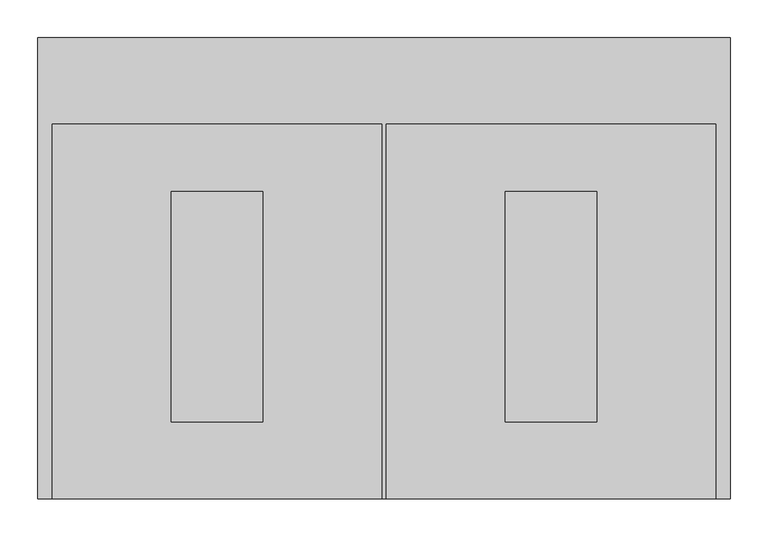
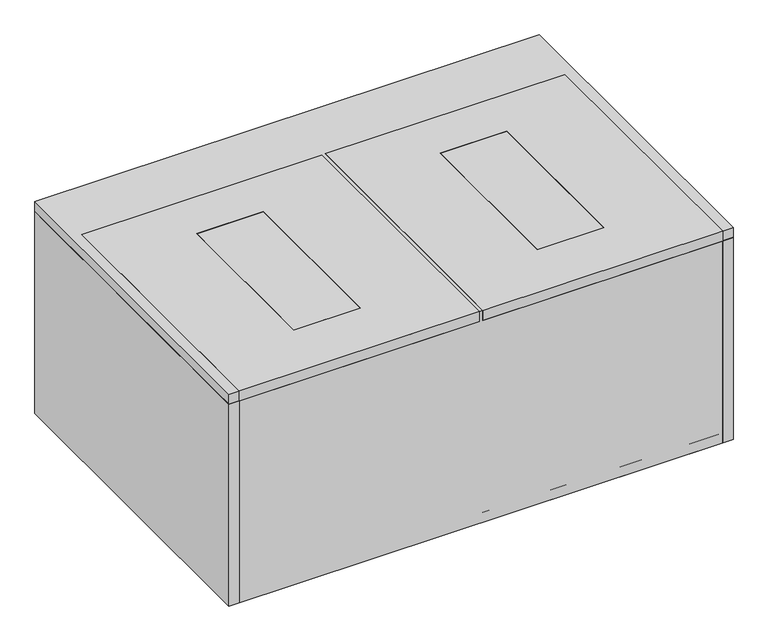
"""IFC4 building model written with IfcOpenShell, lengths in millimetres: proxy geometry."""

from ifc_helpers import new_model, si_unit, frame, origin, origin_with_axes, place, context, project, spatial, polyline, outline, extrude, faceted_brep, source, transform, mapped, element, save


def specialty_equipment_a0fd860b(model_context):
    return source(origin(), model_context, "Body", "SolidModel", [
        faceted_brep([(438.15, -101.6, 387.35), (438.15, -101.6, 396.875), (438.15, -114.3, 396.875), (438.15, -114.3, 406.4), (438.15, -609.6, 406.4), (438.15, -609.6, 387.35), (3.175, -101.6, 387.35), (3.175, -609.6, 387.35), (3.175, -609.6, 406.4), (3.175, -114.3, 406.4), (3.175, -114.3, 396.875), (3.175, -101.6, 396.875), (160.3375, -508.0, 387.35), (280.9875, -508.0, 387.35), (280.9875, -203.2, 387.35), (160.3375, -203.2, 387.35), (160.3375, -203.2, 406.4), (280.9875, -203.2, 406.4), (280.9875, -508.0, 406.4), (160.3375, -508.0, 406.4)], [[[0, 1, 2, 3, 4, 5]], [[6, 7, 8, 9, 10, 11]], [[5, 7, 6, 0], [12, 13, 14, 15]], [[4, 8, 7, 5]], [[3, 9, 8, 4], [16, 17, 18, 19]], [[2, 10, 9, 3]], [[1, 11, 10, 2]], [[0, 6, 11, 1]], [[16, 19, 12, 15]], [[15, 14, 17, 16]], [[14, 13, 18, 17]], [[19, 18, 13, 12]]]),
        faceted_brep([(-3.175, -101.6, 387.35), (-3.175, -101.6, 396.875), (-3.175, -114.3, 396.875), (-3.175, -114.3, 406.4), (-3.175, -609.6, 406.4), (-3.175, -609.6, 387.35), (-438.15, -101.6, 387.35), (-438.15, -609.6, 387.35), (-438.15, -609.6, 406.4), (-438.15, -114.3, 406.4), (-438.15, -114.3, 396.875), (-438.15, -101.6, 396.875), (-160.3375, -508.0, 387.35), (-160.3375, -203.2, 387.35), (-280.9875, -203.2, 387.35), (-280.9875, -508.0, 387.35), (-280.9875, -508.0, 406.4), (-280.9875, -203.2, 406.4), (-160.3375, -203.2, 406.4), (-160.3375, -508.0, 406.4)], [[[0, 1, 2, 3, 4, 5]], [[6, 7, 8, 9, 10, 11]], [[5, 7, 6, 0], [12, 13, 14, 15]], [[4, 8, 7, 5]], [[3, 9, 8, 4], [16, 17, 18, 19]], [[2, 10, 9, 3]], [[1, 11, 10, 2]], [[0, 6, 11, 1]], [[16, 19, 12, 15]], [[15, 14, 17, 16]], [[14, 13, 18, 17]], [[19, 18, 13, 12]]]),
        extrude(outline(polyline([(-160.3375, -508.0), (-280.9875, -508.0), (-280.9875, -203.2), (-160.3375, -203.2), (-160.3375, -508.0)])), frame((0.0, 0.0, 396.875), z_axis=(0.0, 0.0, 1.0), x_axis=(1.0, 0.0, 0.0)), (0.0, 0.0, 1.0), 9.525),
        extrude(outline(polyline([(280.9875, -508.0), (160.3375, -508.0), (160.3375, -203.2), (280.9875, -203.2), (280.9875, -508.0)])), frame((0.0, 0.0, 396.875), z_axis=(0.0, 0.0, 1.0), x_axis=(1.0, 0.0, 0.0)), (0.0, 0.0, 1.0), 9.525),
        extrude(outline(polyline([(457.2, 0.0), (457.2, -609.6), (438.15, -609.6), (438.15, 0.0), (457.2, 0.0)])), origin_with_axes(), (0.0, 0.0, 1.0), 387.35),
        extrude(outline(polyline([(-438.15, 0.0), (-438.15, -609.6), (-457.2, -609.6), (-457.2, 0.0), (-438.15, 0.0)])), origin_with_axes(), (0.0, 0.0, 1.0), 387.35),
        extrude(outline(polyline([(457.2, -609.6), (-457.2, -609.6), (-457.2, 0.0), (457.2, 0.0), (457.2, -609.6)])), origin_with_axes(), (0.0, 0.0, 1.0), 406.4),
        extrude(outline(polyline([(438.15, -427.0375), (438.15, -439.7375), (-438.15, -439.7375), (-438.15, -427.0375), (438.15, -427.0375)])), frame((0.0, 0.0, 19.05), z_axis=(0.0, 0.0, 1.0), x_axis=(1.0, 0.0, 0.0)), (0.0, 0.0, 1.0), 368.3),
        extrude(outline(polyline([(438.15, -265.1125), (438.15, -277.8125), (-438.15, -277.8125), (-438.15, -265.1125), (438.15, -265.1125)])), frame((0.0, 0.0, 19.05), z_axis=(0.0, 0.0, 1.0), x_axis=(1.0, 0.0, 0.0)), (0.0, 0.0, 1.0), 368.3),
        extrude(outline(polyline([(-438.15, -609.6), (-438.15, -590.55), (438.15, -590.55), (438.15, -609.6), (-438.15, -609.6)])), origin_with_axes(), (0.0, 0.0, 1.0), 387.35),
        extrude(outline(polyline([(438.15, -609.6), (-438.15, -609.6), (-438.15, -101.6), (438.15, -101.6), (438.15, -609.6)])), origin_with_axes(), (0.0, 0.0, 1.0), 19.05),
        extrude(outline(polyline([(-438.15, -101.6), (-438.15, 0.0), (438.15, 0.0), (438.15, -101.6), (-438.15, -101.6)])), origin_with_axes(), (0.0, 0.0, 1.0), 387.35),
    ])


if __name__ == "__main__":
    model = new_model("IFC4")
    model_context = context("Model", 3, world=origin())
    ifc_project = project(units=[si_unit("LENGTHUNIT", "METRE", prefix="MILLI")], contexts=[model_context])
    site = spatial("IfcSite", under=ifc_project)
    building = spatial("IfcBuilding", under=site)
    placement = place(None, origin())
    specialty_equipment_shape = specialty_equipment_a0fd860b(model_context)
    element("IfcBuildingElementProxy", 1, Name="Specialty Equipment", at=placement, inside=building, context=model_context, shape_type="MappedRepresentation", body=[
        mapped(specialty_equipment_shape, transform((0.0, 0.0, 0.0), x_axis=(1.0, 0.0, 0.0), y_axis=(0.0, 1.0, 0.0), z_axis=(0.0, 0.0, 1.0))),
    ])
    save(model, "model.ifc")
